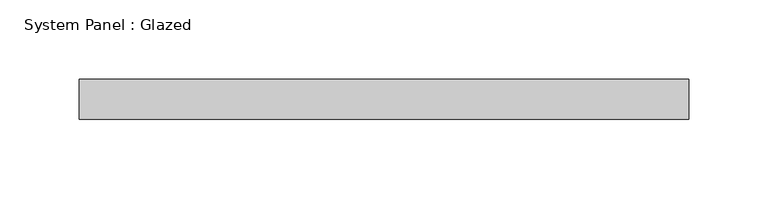
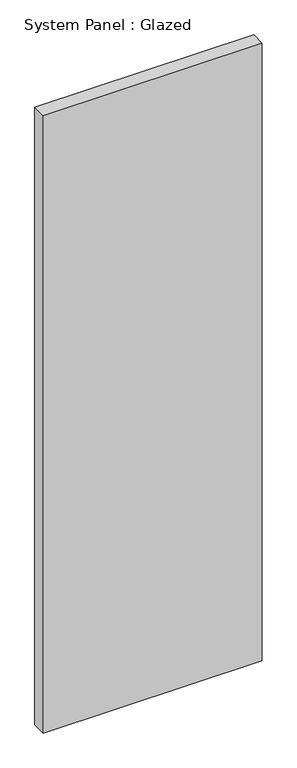
"""IFC4 building model written with IfcOpenShell, lengths in millimetres: plate geometry, System Panel : Glazed."""

from ifc_helpers import new_model, si_unit, origin, origin_with_axes, place, context, project, spatial, polyline, outline, extrude, source, transform, mapped, element, save


def system_panel_glazed_fbc11c98(model_context):
    return source(origin(), model_context, "Body", "SweptSolid", [
        extrude(outline(polyline([(192.8873579, -12.7), (-192.8873579, -12.7), (-192.8873579, 12.7), (192.8873579, 12.7), (192.8873579, -12.7)])), origin_with_axes(), (0.0, 0.0, 1.0), 1148.5626254),
    ])


if __name__ == "__main__":
    model = new_model("IFC4")
    model_context = context("Model", 3, world=origin())
    ifc_project = project(units=[si_unit("LENGTHUNIT", "METRE", prefix="MILLI")], contexts=[model_context])
    site = spatial("IfcSite", under=ifc_project)
    building = spatial("IfcBuilding", under=site)
    placement = place(None, origin())
    system_panel_glazed_shape = system_panel_glazed_fbc11c98(model_context)
    element("IfcPlate", 1, ObjectType="System Panel : Glazed", at=placement, inside=building, context=model_context, shape_type="MappedRepresentation", body=[
        mapped(system_panel_glazed_shape, transform((0.0, 0.0, 0.0), x_axis=(1.0, 0.0, 0.0), y_axis=(0.0, 1.0, 0.0), z_axis=(0.0, 0.0, 1.0))),
    ])
    save(model, "model.ifc")
